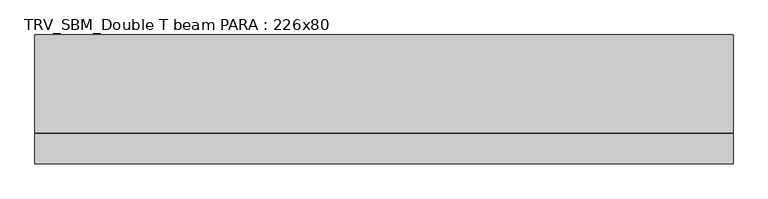
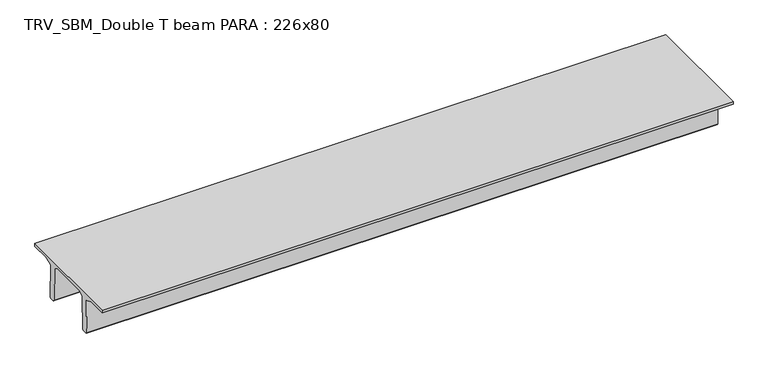
"""IFC4 building model written with IfcOpenShell, lengths in millimetres: beam geometry, TRV_SBM_Double T beam PARA : 226x80."""

from ifc_helpers import new_model, si_unit, frame, origin, place, context, project, spatial, polyline, outline, extrude, source, transform, mapped, element, save


def trv_sbm_double_t_beam_para_226x80_bf43eed7(model_context):
    return source(origin(), model_context, "Body", "SweptSolid", [
        extrude(outline(polyline([(352.1399239, 205.988519), (-382.1399239, 205.988519), (-485.0, 144.18395), (-501.9262559, -520.5206011), (-521.4056548, -540.0), (-611.4056548, -540.0), (-631.9887932, -520.5206011), (-615.2025683, 140.6523122), (-776.9153545, 205.988519), (-1145.0, 205.988519), (-1145.0, 260.0), (1115.0, 260.0), (1115.0, 205.988519), (746.9153545, 205.988519), (585.2025683, 140.6523122), (601.9887932, -520.5206011), (581.4056548, -540.0), (491.4056548, -540.0), (471.9262559, -520.5206011), (455.0, 144.18395), (352.1399239, 205.988519)])), frame((-6297.1173036, 0.0, 0.0), z_axis=(1.0, 0.0, 0.0), x_axis=(0.0, 1.0, 0.0)), (0.0, 0.0, 1.0), 12258.0235721),
    ])


if __name__ == "__main__":
    model = new_model("IFC4")
    model_context = context("Model", 3, world=origin())
    ifc_project = project(units=[si_unit("LENGTHUNIT", "METRE", prefix="MILLI")], contexts=[model_context])
    site = spatial("IfcSite", under=ifc_project)
    building = spatial("IfcBuilding", under=site)
    placement = place(None, origin())
    trv_sbm_double_t_beam_para_226x80_shape = trv_sbm_double_t_beam_para_226x80_bf43eed7(model_context)
    element("IfcBeam", 1, ObjectType="TRV_SBM_Double T beam PARA : 226x80", at=placement, inside=building, context=model_context, shape_type="MappedRepresentation", body=[
        mapped(trv_sbm_double_t_beam_para_226x80_shape, transform((0.0, 0.0, 0.0), x_axis=(1.0, 0.0, 0.0), y_axis=(0.0, 1.0, 0.0), z_axis=(0.0, 0.0, 1.0))),
    ])
    save(model, "model.ifc")
